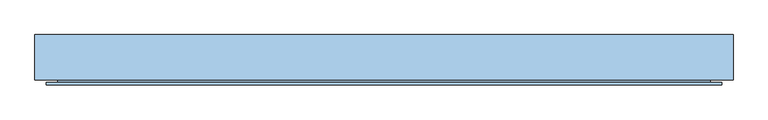
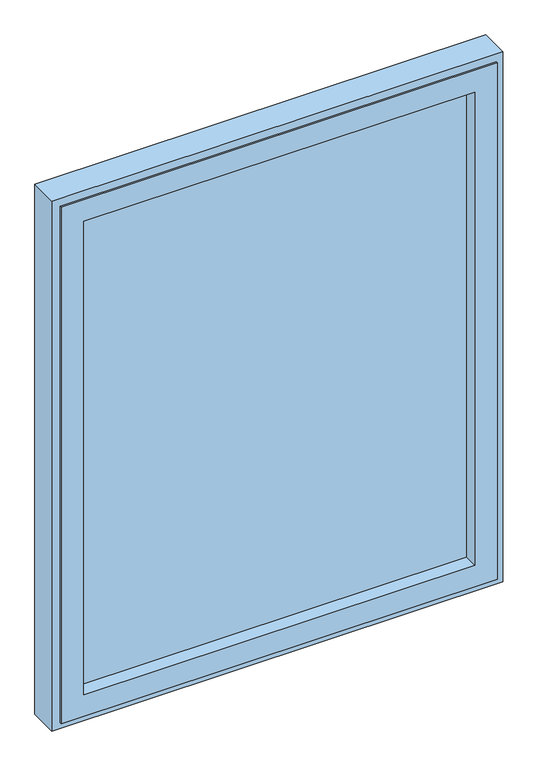
"""IFC4 building model written with IfcOpenShell, lengths in millimetres: window geometry."""

from ifc_helpers import new_model, si_unit, frame, origin, place, context, project, spatial, polyline, outline, extrude, faceted_brep, source, transform, mapped, element, save


def window_f1c548cb(model_context):
    return source(origin(), model_context, "Body", "SolidModel", [
        faceted_brep([(453.0, -41.5, 2130.0), (453.0, 26.0, 2130.0), (453.0, 26.0, 970.0), (453.0, -41.5, 970.0), (482.5, 26.0, 940.5), (-482.5, 26.0, 940.5), (-482.5, 26.0, 2159.5), (482.5, 26.0, 2159.5), (-453.0, 26.0, 2130.0), (-453.0, 26.0, 970.0), (-453.0, -41.5, 970.0), (506.0, -41.5, 2183.0), (-506.0, -41.5, 2183.0), (-506.0, -41.5, 917.0), (506.0, -41.5, 917.0), (-453.0, -41.5, 2130.0), (506.0, -37.5, 2183.0), (506.0, -37.5, 917.0), (-506.0, -37.5, 917.0), (-506.0, -37.5, 2183.0), (488.5, -37.5, 2165.5), (-488.5, -37.5, 2165.5), (-488.5, -37.5, 934.5), (488.5, -37.5, 934.5), (488.5, 18.0, 2165.5), (488.5, 18.0, 934.5), (-488.5, 18.0, 934.5), (-488.5, 18.0, 2165.5), (482.5, 18.0, 2159.5), (-482.5, 18.0, 2159.5), (-482.5, 18.0, 940.5), (482.5, 18.0, 940.5)], [[[0, 1, 2, 3]], [[4, 5, 6, 7], [1, 8, 9, 2]], [[3, 2, 9, 10]], [[11, 12, 13, 14], [3, 10, 15, 0]], [[16, 11, 14, 17]], [[17, 14, 13, 18]], [[17, 18, 19, 16], [20, 21, 22, 23]], [[24, 20, 23, 25]], [[25, 23, 22, 26]], [[25, 26, 27, 24], [28, 29, 30, 31]], [[7, 28, 31, 4]], [[4, 31, 30, 5]], [[10, 9, 8, 15]], [[18, 13, 12, 19]], [[26, 22, 21, 27]], [[5, 30, 29, 6]], [[15, 8, 1, 0]], [[19, 12, 11, 16]], [[27, 21, 20, 24]], [[6, 29, 28, 7]]]),
        extrude(outline(polyline([(453.0, -9.3), (-453.0, -9.3), (-453.0, 14.7), (453.0, 14.7), (453.0, -9.3)])), frame((0.0, 0.0, 970.0), z_axis=(0.0, 0.0, 1.0), x_axis=(1.0, 0.0, 0.0)), (0.0, 0.0, 1.0), 1160.0),
        faceted_brep([(-523.0, 34.0, 2200.0), (-523.0, 34.0, 900.0), (-523.0, -34.0, 900.0), (-523.0, -34.0, 2200.0), (523.0, 34.0, 2200.0), (523.0, 34.0, 900.0), (-457.0, 34.0, 966.0), (457.0, 34.0, 966.0), (457.0, 34.0, 2134.0), (-457.0, 34.0, 2134.0), (523.0, -34.0, 900.0), (523.0, -34.0, 2200.0), (-500.0, -34.0, 2177.0), (500.0, -34.0, 2177.0), (500.0, -34.0, 923.0), (-500.0, -34.0, 923.0), (-500.0, 29.0, 2177.0), (-500.0, 29.0, 923.0), (500.0, 29.0, 923.0), (500.0, 29.0, 2177.0), (-457.0, 29.0, 2134.0), (457.0, 29.0, 2134.0), (457.0, 29.0, 966.0), (-457.0, 29.0, 966.0)], [[[0, 1, 2, 3]], [[0, 4, 5, 1], [6, 7, 8, 9]], [[2, 1, 5, 10]], [[2, 10, 11, 3], [12, 13, 14, 15]], [[16, 12, 15, 17]], [[17, 15, 14, 18]], [[17, 18, 19, 16], [20, 21, 22, 23]], [[9, 20, 23, 6]], [[6, 23, 22, 7]], [[10, 5, 4, 11]], [[18, 14, 13, 19]], [[7, 22, 21, 8]], [[11, 4, 0, 3]], [[19, 13, 12, 16]], [[8, 21, 20, 9]]]),
    ])


if __name__ == "__main__":
    model = new_model("IFC4")
    model_context = context("Model", 3, world=origin())
    ifc_project = project(units=[si_unit("LENGTHUNIT", "METRE", prefix="MILLI")], contexts=[model_context])
    site = spatial("IfcSite", under=ifc_project)
    building = spatial("IfcBuilding", under=site)
    placement = place(None, origin())
    window_shape = window_f1c548cb(model_context)
    element("IfcWindow", 1, at=placement, inside=building, context=model_context, shape_type="MappedRepresentation", body=[
        mapped(window_shape, transform((0.0, 0.0, 0.0), x_axis=(1.0, 0.0, 0.0), y_axis=(0.0, 1.0, 0.0), z_axis=(0.0, 0.0, 1.0))),
    ])
    save(model, "model.ifc")
